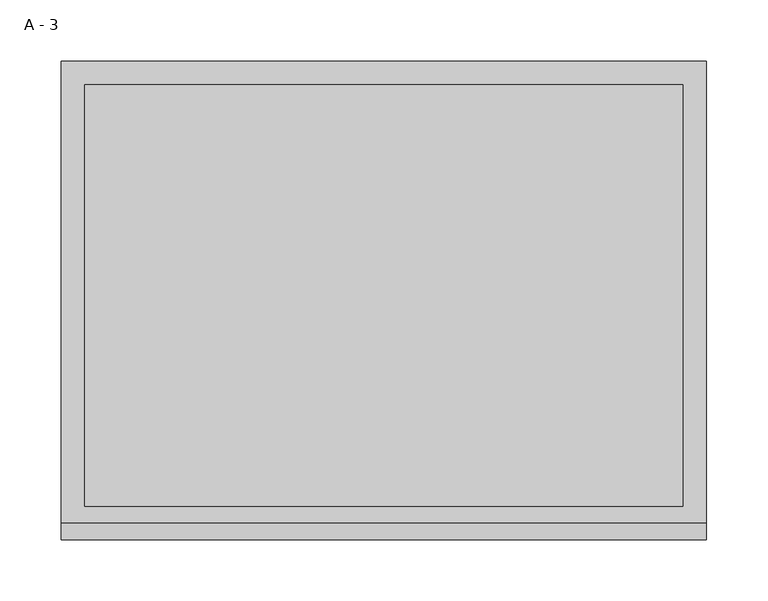
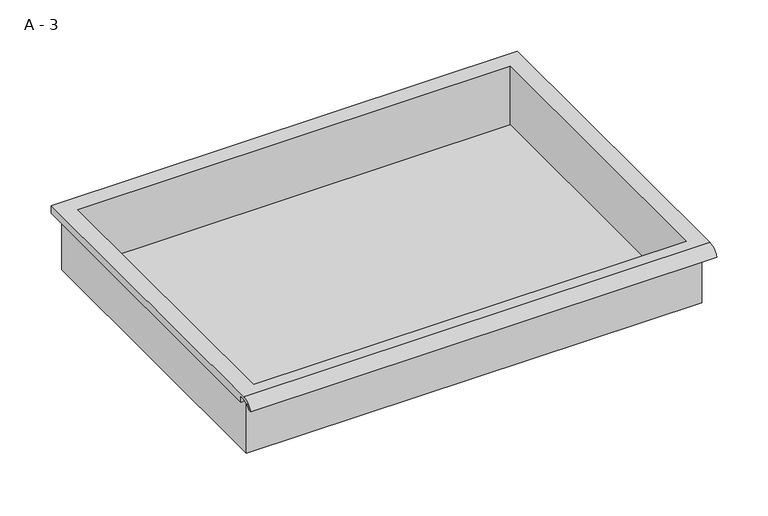
"""IFC4 building model written with IfcOpenShell, lengths in millimetres: furniture geometry, A - 3."""

from ifc_helpers import new_model, si_unit, frame, origin, place, context, project, spatial, polyline, circle_curve, source, transform, mapped, element, save
from ifc_brep_helpers import plane_surface, cylinder_surface, revolved_surface, advanced_brep


def a_3_f76313a4(model_context):
    return source(origin(), model_context, "Body", "AdvancedBrep", [
        advanced_brep(
        [(-257.1076517, -176.2125, 714.56804), (257.2423483, -176.2125, 714.56804), (257.2423483, -176.2125, 778.06804), (263.5923483, -176.2125, 778.06804), (263.5923483, -176.2125, 784.3751741), (-263.4576517, -176.2125, 784.3751741), (-263.4576517, -176.2125, 778.06804), (-257.1076517, -176.2125, 778.06804), (257.2423483, 185.7375, 714.56804), (-257.1076517, 185.7375, 714.56804), (-257.1076517, 185.7375, 778.06804), (257.2423483, 185.7375, 778.06804), (263.5923483, -181.6070544, 787.59304), (263.5923483, 195.2625, 787.59304), (-263.4576517, 195.2625, 787.59304), (-263.4576517, -181.6070544, 787.59304), (244.5423483, -168.275, 787.59304), (-244.4076517, -168.275, 787.59304), (-244.4076517, 176.2125, 787.59304), (244.5423483, 176.2125, 787.59304), (263.5923483, -195.2625, 778.06804), (263.5923483, -191.8280601, 778.06804), (263.5923483, -180.4714815, 784.3751741), (263.5923483, 195.2625, 778.06804), (-263.4576517, 195.2625, 778.06804), (-263.4576517, -180.4714815, 784.3751741), (-263.4576517, -191.8280601, 778.06804), (-263.4576517, -195.2625, 778.06804), (-244.4076517, -168.275, 717.5942119), (244.5423483, -168.275, 717.5942119), (244.5423483, 176.2125, 717.5942119), (-244.4076517, 176.2125, 717.5942119)],
        [
            (0, 1),
            (1, 2),
            (2, 3),
            (3, 4),
            (4, 5),
            (5, 6),
            (6, 7),
            (7, 0),
            (8, 9),
            (9, 10),
            (10, 11),
            (11, 8),
            (0, 9),
            (8, 1),
            (11, 2),
            (12, 13),
            (13, 14),
            (14, 15),
            (15, 12),
            (16, 17),
            (17, 18),
            (18, 19),
            (19, 16),
            (7, 10),
            (12, 20, circle_curve(frame((263.5923483, -181.6070544, 773.0420259), z_axis=(1.0, 0.0, 0.0), x_axis=(0.0, 1.0, 0.0)), 14.5510141)),
            (20, 21),
            (21, 22, circle_curve(frame((263.5923483, -181.6070544, 773.0420259), z_axis=(-1.0, 0.0, 0.0), x_axis=(0.0, 1.0, 0.0)), 11.3898979)),
            (22, 4),
            (3, 23),
            (23, 13),
            (14, 24),
            (24, 6),
            (5, 25),
            (25, 26, circle_curve(frame((-263.4576517, -181.6070544, 773.0420259), z_axis=(1.0, 0.0, 0.0), x_axis=(0.0, 1.0, 0.0)), 11.3898979)),
            (26, 27),
            (27, 15, circle_curve(frame((-263.4576517, -181.6070544, 773.0420259), z_axis=(-1.0, 0.0, 0.0), x_axis=(0.0, 1.0, 0.0)), 14.5510141)),
            (27, 20),
            (26, 21),
            (25, 22),
            (24, 23),
            (28, 29),
            (29, 30),
            (30, 31),
            (31, 28),
            (28, 17),
            (16, 29),
            (19, 30),
            (18, 31),
        ],
        [
            plane_surface(frame((257.2423483, -176.2125, 714.56804), z_axis=(0.0, -1.0, 0.0), x_axis=(1.0, 0.0, 0.0))),
            plane_surface(frame((257.2423483, 185.7375, 714.56804), z_axis=(0.0, 1.0, 0.0), x_axis=(-1.0, 0.0, 0.0))),
            plane_surface(frame((-257.1076517, -176.2125, 714.56804), z_axis=(0.0, 0.0, -1.0), x_axis=(0.0, 1.0, 0.0))),
            plane_surface(frame((257.2423483, -176.2125, 714.56804), z_axis=(1.0, 0.0, 0.0), x_axis=(0.0, 1.0, 0.0))),
            plane_surface(frame((257.2423483, -176.2125, 787.59304), z_axis=(0.0, 0.0, 1.0), x_axis=(0.0, 1.0, 0.0))),
            plane_surface(frame((-257.1076517, -176.2125, 787.59304), z_axis=(-1.0, 0.0, 0.0), x_axis=(0.0, 1.0, 0.0))),
            plane_surface(frame((263.5923483, 195.2625, 787.59304), z_axis=(1.0, 0.0, 0.0), x_axis=(0.0, -1.0, 0.0))),
            plane_surface(frame((-263.4576517, 195.2625, 787.59304), z_axis=(-1.0, 0.0, 0.0), x_axis=(0.0, 1.0, 0.0))),
            cylinder_surface(frame((-263.4576517, -181.6070544, 773.0420259), z_axis=(1.0, 0.0, 0.0), x_axis=(0.0, 1.0, 0.0)), 14.5510141),
            plane_surface(frame((263.5923483, -195.2625, 778.06804), z_axis=(0.0, -7.330645323406277e-12, -1.0), x_axis=(-1.0, 0.0, 0.0))),
            revolved_surface(polyline([(-263.4576517, -170.21715650000002, 773.0420259), (263.59234829999997, -170.21715650000002, 773.0420259)]), (-263.4576517, -181.6070544, 773.0420259), (-1.0, 0.0, 0.0)),
            plane_surface(frame((263.5923483, -180.4714815, 784.3751741), z_axis=(0.0, -1.82110108209509e-11, -1.0), x_axis=(-1.0, 0.0, 0.0))),
            plane_surface(frame((263.5923483, -176.2125, 778.06804), z_axis=(0.0, 0.0, -1.0), x_axis=(-1.0, 0.0, 0.0))),
            plane_surface(frame((263.5923483, 195.2625, 778.06804), z_axis=(0.0, 1.0, 0.0), x_axis=(-1.0, 0.0, 0.0))),
            plane_surface(frame((244.5423483, -168.275, 717.5942119), z_axis=(0.0, 0.0, 1.0), x_axis=(-1.0, 0.0, 0.0))),
            plane_surface(frame((-244.4076517, -168.275, 787.59304), z_axis=(0.0, 1.0, 0.0), x_axis=(0.0, 0.0, -1.0))),
            plane_surface(frame((244.5423483, -168.275, 787.59304), z_axis=(-1.0, 0.0, 0.0), x_axis=(0.0, 0.0, -1.0))),
            plane_surface(frame((244.5423483, 176.2125, 787.59304), z_axis=(0.0, -1.0, 0.0), x_axis=(0.0, 0.0, -1.0))),
            plane_surface(frame((-244.4076517, 176.2125, 787.59304), z_axis=(1.0, 0.0, 0.0), x_axis=(0.0, 0.0, -1.0))),
        ],
        [
            (0, [[1, 2, 3, 4, 5, 6, 7, 8]]),
            (1, [[9, 10, 11, 12]]),
            (2, [[-1, 13, -9, 14]]),
            (3, [[-14, -12, 15, -2]]),
            (4, [[16, 17, 18, 19], [20, 21, 22, 23]]),
            (5, [[-13, -8, 24, -10]]),
            (6, [[-16, 25, 26, 27, 28, -4, 29, 30]]),
            (7, [[31, 32, -6, 33, 34, 35, 36, -18]]),
            (8, [[-25, -19, -36, 37]]),
            (9, [[-26, -37, -35, 38]]),
            (10, [[-27, -38, -34, 39]]),
            (11, [[-28, -39, -33, -5]]),
            (12, [[-29, -3, -15, -11, -24, -7, -32, 40]]),
            (13, [[-30, -40, -31, -17]]),
            (14, [[41, 42, 43, 44]]),
            (15, [[-41, 45, -20, 46]]),
            (16, [[-42, -46, -23, 47]]),
            (17, [[-43, -47, -22, 48]]),
            (18, [[-44, -48, -21, -45]]),
        ],
    ),
    ])


if __name__ == "__main__":
    model = new_model("IFC4")
    model_context = context("Model", 3, world=origin())
    ifc_project = project(units=[si_unit("LENGTHUNIT", "METRE", prefix="MILLI")], contexts=[model_context])
    site = spatial("IfcSite", under=ifc_project)
    building = spatial("IfcBuilding", under=site)
    placement = place(None, origin())
    a_3_shape = a_3_f76313a4(model_context)
    element("IfcFurniture", 1, ObjectType="A - 3", at=placement, inside=building, context=model_context, shape_type="MappedRepresentation", body=[
        mapped(a_3_shape, transform((0.0, 0.0, 0.0), x_axis=(1.0, 0.0, 0.0), y_axis=(0.0, 1.0, 0.0), z_axis=(0.0, 0.0, 1.0))),
    ])
    save(model, "model.ifc")
